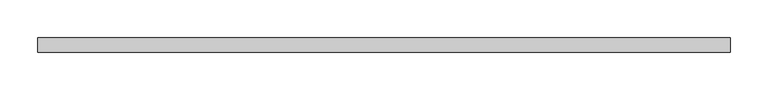
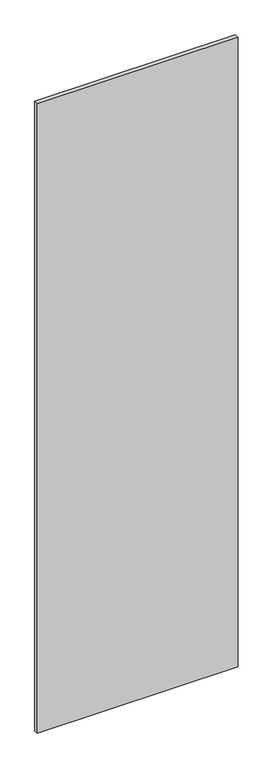
"""IFC4 building model written with IfcOpenShell, lengths in millimetres: proxy geometry."""

import ifcopenshell
import ifcopenshell.guid

model = None  # the IFC model being written
_history = None  # IfcOwnerHistory: only IFC2X3 demands one
_inside = {}  # id of a spatial element -> (the spatial element, [elements in it])
_under = {}  # id of a project, library or spatial element -> (it, [spatial elements below it])
_declared = {}  # id of a project -> (the project, [libraries it declares])
_typed = {}  # id of a type object -> (the type object, [elements of that type])
_made_of = {}  # id of a material, layer set ... -> (it, [elements and type objects made of it])


def new_model(schema):
    """Start an empty IFC model of exactly this schema.

    Asked for "IFC4X3", IfcOpenShell would pick the latest addendum, in which some entities
    have other attributes; the version numbers below select the first issue.
    IFC2X3 requires an IfcOwnerHistory on every rooted entity: one is made here for all.
    """
    global model, _history
    if schema == "IFC4X3":
        model = ifcopenshell.file(schema_version=(4, 3, 0, 0))
    else:
        model = ifcopenshell.file(schema=schema)
    _inside.clear()
    _under.clear()
    _declared.clear()
    _typed.clear()
    _made_of.clear()
    _history = None
    if model.schema == "IFC2X3":
        org = make("IfcOrganization", Name="unknown")
        user = make(
            "IfcPersonAndOrganization",
            ThePerson=make("IfcPerson", FamilyName="unknown"),
            TheOrganization=org,
        )
        app = make(
            "IfcApplication",
            ApplicationDeveloper=org,
            Version="unknown",
            ApplicationFullName="unknown",
            ApplicationIdentifier="unknown",
        )
        _history = make(
            "IfcOwnerHistory",
            OwningUser=user,
            OwningApplication=app,
            ChangeAction="ADDED",
            CreationDate=0,
        )
    return model


def make(cls, **values):
    """One entity of the class cls with the attributes given. An attribute that is None is left unset."""
    return model.create_entity(
        cls, **{name: value for name, value in values.items() if value is not None}
    )


def rooted(cls, **values):
    """An entity with a GlobalId (a new one), such as an element, a storey or a relation."""
    return make(cls, GlobalId=ifcopenshell.guid.new(), OwnerHistory=_history, **values)


def si_unit(unit_type, name, prefix=None):
    """IfcSIUnit, for example si_unit("LENGTHUNIT", "METRE", prefix="MILLI")."""
    return make("IfcSIUnit", UnitType=unit_type, Prefix=prefix, Name=name)


def assignment(units):
    """IfcUnitAssignment: the units of a project."""
    return None if units is None else make("IfcUnitAssignment", Units=units)


def point(xyz):
    """IfcCartesianPoint."""
    return None if xyz is None else make("IfcCartesianPoint", Coordinates=xyz)


def direction(xyz):
    """IfcDirection."""
    return None if xyz is None else make("IfcDirection", DirectionRatios=xyz)


def frame(location, z_axis=None, x_axis=None):
    """IfcAxis2Placement3D, a coordinate frame: its origin and axes. An axis left out is left unset."""
    return make(
        "IfcAxis2Placement3D",
        Location=point(location),
        Axis=direction(z_axis),
        RefDirection=direction(x_axis),
    )


def origin():
    """The frame at (0, 0, 0) with its axes left unset."""
    return frame((0.0, 0.0, 0.0))


def place(relative_to, where):
    """IfcLocalPlacement: puts the frame where relative to a parent placement (None: the world)."""
    return make(
        "IfcLocalPlacement", PlacementRelTo=relative_to, RelativePlacement=where
    )


def context(
    kind, dimensions, precision=None, world=None, true_north=None, identifier=None
):
    """IfcGeometricRepresentationContext, for example the 3D "Model" context."""
    return make(
        "IfcGeometricRepresentationContext",
        ContextIdentifier=identifier,
        ContextType=kind,
        CoordinateSpaceDimension=dimensions,
        Precision=precision,
        WorldCoordinateSystem=world,
        TrueNorth=true_north,
    )


def project(units=None, contexts=None):
    """IfcProject with its units and contexts."""
    return rooted(
        "IfcProject",
        Name="project",
        RepresentationContexts=contexts,
        UnitsInContext=assignment(units),
    )


def spatial(cls, under=None, at=None, **own):
    """A site, building, storey or space (cls), placed at a placement, below another one or the project."""
    s = rooted(cls, ObjectPlacement=at, **own)
    if under is not None:
        _under.setdefault(under.id(), (under, []))[1].append(s)
    return s


def polyline(points):
    """IfcPolyline through the points."""
    return make("IfcPolyline", Points=[point(p) for p in points])


def outline(outer, holes=None, kind="AREA"):
    """IfcArbitraryClosedProfileDef: a profile drawn as a closed curve; with holes, ...WithVoids."""
    if holes is None:
        return make("IfcArbitraryClosedProfileDef", ProfileType=kind, OuterCurve=outer)
    return make(
        "IfcArbitraryProfileDefWithVoids",
        ProfileType=kind,
        OuterCurve=outer,
        InnerCurves=holes,
    )


def extrude(swept, where, along, depth):
    """IfcExtrudedAreaSolid: the profile swept, set in the frame where, extruded along a direction by depth."""
    return make(
        "IfcExtrudedAreaSolid",
        SweptArea=swept,
        Position=where,
        ExtrudedDirection=direction(along),
        Depth=depth,
    )


def shape(context_of_items, identifier, shape_type, items):
    """IfcShapeRepresentation: the items that make up one representation, for example the "Body"."""
    return make(
        "IfcShapeRepresentation",
        ContextOfItems=context_of_items,
        RepresentationIdentifier=identifier,
        RepresentationType=shape_type,
        Items=items,
    )


def source(mapping_origin, context_of_items, identifier, shape_type, items):
    """IfcRepresentationMap: a shape defined once, which mapped items show again and again."""
    return make(
        "IfcRepresentationMap",
        MappingOrigin=mapping_origin,
        MappedRepresentation=shape(context_of_items, identifier, shape_type, items),
    )


def transform(
    local_origin,
    x_axis=None,
    y_axis=None,
    z_axis=None,
    scale=None,
    scale2=None,
    scale3=None,
    uniform=True,
):
    """IfcCartesianTransformationOperator3D, or its non-uniform kind. x_axis, y_axis, z_axis: its Axis1, 2, 3."""
    if uniform:
        return make(
            "IfcCartesianTransformationOperator3D",
            Axis1=direction(x_axis),
            Axis2=direction(y_axis),
            LocalOrigin=point(local_origin),
            Scale=scale,
            Axis3=direction(z_axis),
        )
    return make(
        "IfcCartesianTransformationOperator3DnonUniform",
        Axis1=direction(x_axis),
        Axis2=direction(y_axis),
        LocalOrigin=point(local_origin),
        Scale=scale,
        Axis3=direction(z_axis),
        Scale2=scale2,
        Scale3=scale3,
    )


def mapped(mapping_source, mapping_target):
    """IfcMappedItem: shows the shape of a source again, moved by a transform."""
    return make(
        "IfcMappedItem", MappingSource=mapping_source, MappingTarget=mapping_target
    )


def made_of(thing, what):
    """Note that an element or type object is made of a material, layer set ...; save() writes the relation."""
    if what is not None:
        _made_of.setdefault(what.id(), (what, []))[1].append(thing)
    return thing


def element(
    cls,
    number,
    at=None,
    inside=None,
    cuts=None,
    type_object=None,
    material=None,
    context=None,
    identifier="Body",
    shape_type=None,
    held_by="IfcProductDefinitionShape",
    body=None,
    shapes=None,
    **own,
):
    """One element of the class cls, such as IfcWall. Its Tag is "e" and its number.

    at: its placement. inside: the storey or other place that contains it. cuts: it is an
    opening in that element (IfcRelVoidsElement). A single representation is given by context,
    identifier, shape_type and body (its items); several are given by shapes. held_by: the class
    of the entity that holds the representations. save() writes the other relations.
    """
    e = rooted(cls, Tag="e%d" % number, ObjectPlacement=at, **own)
    if body is not None:
        shapes = [shape(context, identifier, shape_type, body)]
    if shapes is not None:
        e.Representation = make(held_by, Representations=shapes)
    if inside is not None:
        _inside.setdefault(inside.id(), (inside, []))[1].append(e)
    if cuts is not None:
        rooted(
            "IfcRelVoidsElement", RelatingBuildingElement=cuts, RelatedOpeningElement=e
        )
    if type_object is not None:
        _typed.setdefault(type_object.id(), (type_object, []))[1].append(e)
    return made_of(e, material)


def aggregate(whole, parts):
    """IfcRelAggregates: a whole, such as a stair, and the parts it consists of."""
    return rooted("IfcRelAggregates", RelatingObject=whole, RelatedObjects=parts)


def save(model, path):
    """Write the relations noted so far, then the file.

    IfcRelAggregates (storeys below a building ...), IfcRelContainedInSpatialStructure (elements
    in a storey), IfcRelDefinesByType, IfcRelAssociatesMaterial and IfcRelDeclares: one each for
    every whole, place, type object, material and project.
    """
    for whole, parts in _under.values():
        aggregate(whole, parts)
    for where, things in _inside.values():
        rooted(
            "IfcRelContainedInSpatialStructure",
            RelatedElements=things,
            RelatingStructure=where,
        )
    for kind, things in _typed.values():
        rooted("IfcRelDefinesByType", RelatedObjects=things, RelatingType=kind)
    for what, things in _made_of.values():
        rooted("IfcRelAssociatesMaterial", RelatedObjects=things, RelatingMaterial=what)
    for by, libraries in _declared.values():
        rooted("IfcRelDeclares", RelatingContext=by, RelatedDefinitions=libraries)
    model.write(path)


def specialty_equipment_adced823(model_context):
    return source(origin(), model_context, "Body", "SweptSolid", [
        extrude(outline(polyline([(455.4056163, 9.525), (455.4056163, -9.525), (-455.4056163, -9.525), (-455.4056163, 9.525), (455.4056163, 9.525)])), frame((0.0, 0.0, 3.175), z_axis=(0.0, 0.0, 1.0), x_axis=(1.0, 0.0, 0.0)), (0.0, 0.0, 1.0), 3013.075),
    ])


if __name__ == "__main__":
    model = new_model("IFC4")
    model_context = context("Model", 3, world=origin())
    ifc_project = project(units=[si_unit("LENGTHUNIT", "METRE", prefix="MILLI")], contexts=[model_context])
    site = spatial("IfcSite", under=ifc_project)
    building = spatial("IfcBuilding", under=site)
    placement = place(None, origin())
    specialty_equipment_shape = specialty_equipment_adced823(model_context)
    element("IfcBuildingElementProxy", 1, Name="Specialty Equipment", at=placement, inside=building, context=model_context, shape_type="MappedRepresentation", body=[
        mapped(specialty_equipment_shape, transform((0.0, 0.0, 0.0), x_axis=(1.0, 0.0, 0.0), y_axis=(0.0, 1.0, 0.0), z_axis=(0.0, 0.0, 1.0))),
    ])
    save(model, "model.ifc")
